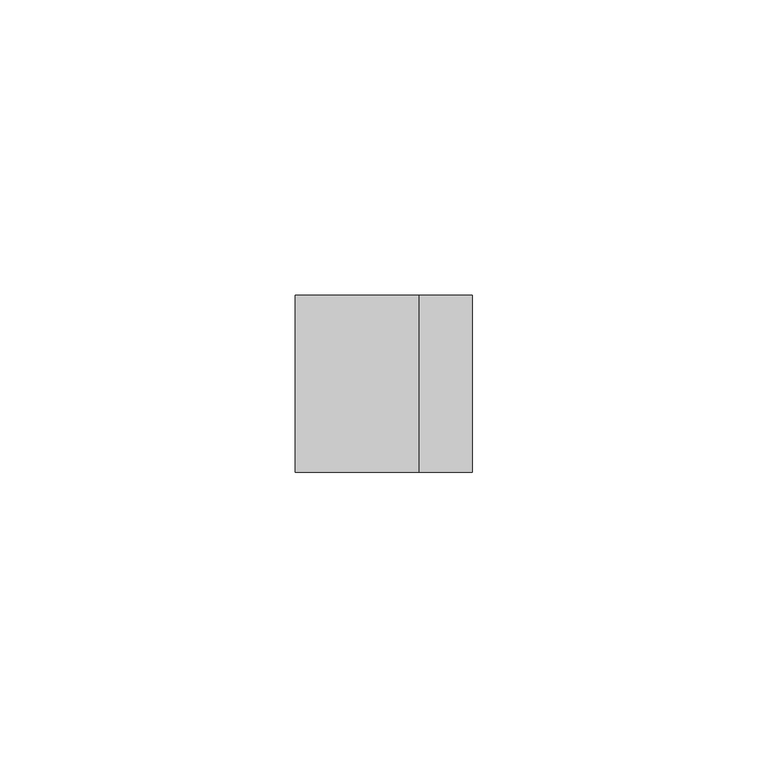
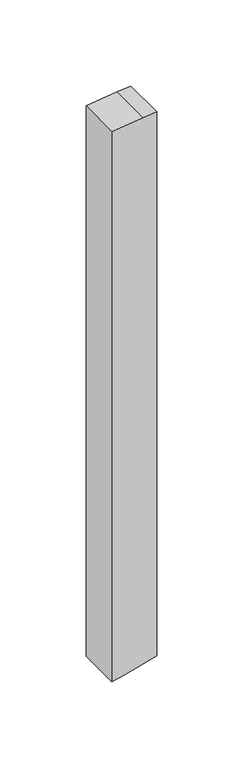
"""IFC4 building model written with IfcOpenShell, lengths in millimetres: member geometry."""

from ifc_helpers import new_model, si_unit, frame, origin, place, context, project, spatial, polyline, outline, extrude, source, transform, mapped, element, save


def member_0cfbcb9b(model_context):
    return source(origin(), model_context, "Body", "SweptSolid", [
        extrude(outline(polyline([(-48.5433044, 15.0), (-49.6337196, 6.041016), (-52.1946624, -15.0), (-442.7115195, -15.0), (-440.4260405, -6.4704761), (-434.6730437, 15.0), (-48.5433044, 15.0)])), frame((0.0, -15.0, 0.0), z_axis=(0.0, 1.0, 0.0), x_axis=(0.0, 0.0, 1.0)), (0.0, 0.0, 1.0), 30.0),
    ])


if __name__ == "__main__":
    model = new_model("IFC4")
    model_context = context("Model", 3, world=origin())
    ifc_project = project(units=[si_unit("LENGTHUNIT", "METRE", prefix="MILLI")], contexts=[model_context])
    site = spatial("IfcSite", under=ifc_project)
    building = spatial("IfcBuilding", under=site)
    placement = place(None, origin())
    member_shape = member_0cfbcb9b(model_context)
    element("IfcMember", 1, at=placement, inside=building, context=model_context, shape_type="MappedRepresentation", body=[
        mapped(member_shape, transform((0.0, 0.0, 0.0), x_axis=(1.0, 0.0, 0.0), y_axis=(0.0, 1.0, 0.0), z_axis=(0.0, 0.0, 1.0))),
    ])
    save(model, "model.ifc")
